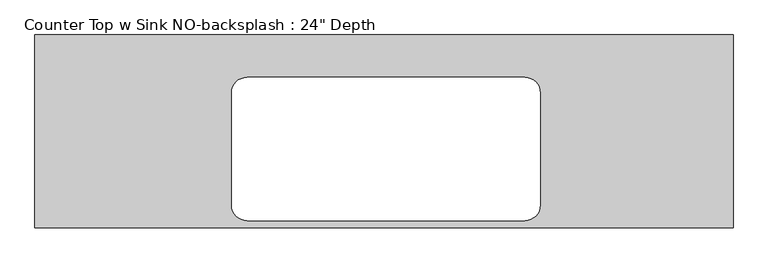
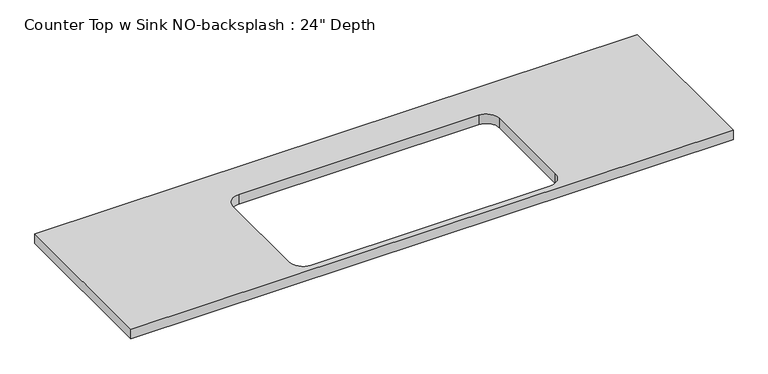
"""IFC4 building model written with IfcOpenShell, lengths in millimetres: furniture geometry."""

from ifc_helpers import new_model, si_unit, point, frame, frame_2d, origin, place, context, project, spatial, polyline, circle_curve, trimmed, segment, composite_curve, outline, extrude, source, transform, mapped, element, save


def furniture_c4da8b6c(model_context):
    return source(origin(), model_context, "Body", "SweptSolid", [
        extrude(outline(polyline([(1098.2377049, 0.0), (1098.2377049, -635.0), (-1200.4622951, -635.0), (-1200.4622951, 0.0), (1098.2377049, 0.0)]), holes=[composite_curve([segment(polyline([(412.4377049, -139.7), (-501.9622951, -139.7)]), True, "CONTINUOUS"), segment(trimmed(circle_curve(frame_2d((-501.9622951, -190.5)), 50.8), [point((-501.9622951, -139.7))], [point((-552.7622951, -190.5))], True, "CARTESIAN"), True, "CONTINUOUS"), segment(polyline([(-552.7622951, -190.5), (-552.7622951, -560.3875)]), True, "CONTINUOUS"), segment(trimmed(circle_curve(frame_2d((-501.9622951, -560.3875)), 50.8), [point((-552.7622951, -560.3875))], [point((-501.9622951, -611.1875))], True, "CARTESIAN"), True, "CONTINUOUS"), segment(polyline([(-501.9622951, -611.1875), (412.4377049, -611.1875)]), True, "CONTINUOUS"), segment(trimmed(circle_curve(frame_2d((412.4377049, -560.3875)), 50.8), [point((412.4377049, -611.1875))], [point((463.2377049, -560.3875))], True, "CARTESIAN"), True, "CONTINUOUS"), segment(polyline([(463.2377049, -560.3875), (463.2377049, -190.5)]), True, "CONTINUOUS"), segment(trimmed(circle_curve(frame_2d((412.4377049, -190.5)), 50.8), [point((463.2377049, -190.5))], [point((412.4377049, -139.7))], True, "CARTESIAN"), True, "CONTINUOUS")], self_intersect=False)]), frame((0.0, 0.0, 876.3), z_axis=(0.0, 0.0, 1.0), x_axis=(1.0, 0.0, 0.0)), (0.0, 0.0, 1.0), 38.1),
    ])


if __name__ == "__main__":
    model = new_model("IFC4")
    model_context = context("Model", 3, world=origin())
    ifc_project = project(units=[si_unit("LENGTHUNIT", "METRE", prefix="MILLI")], contexts=[model_context])
    site = spatial("IfcSite", under=ifc_project)
    building = spatial("IfcBuilding", under=site)
    placement = place(None, origin())
    furniture_shape = furniture_c4da8b6c(model_context)
    element("IfcFurniture", 1, ObjectType="Counter Top w Sink NO-backsplash : 24\" Depth", at=placement, inside=building, context=model_context, shape_type="MappedRepresentation", body=[
        mapped(furniture_shape, transform((0.0, 0.0, 0.0), x_axis=(1.0, 0.0, 0.0), y_axis=(0.0, 1.0, 0.0), z_axis=(0.0, 0.0, 1.0))),
    ])
    save(model, "model.ifc")
